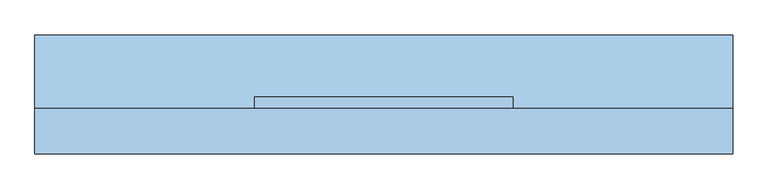
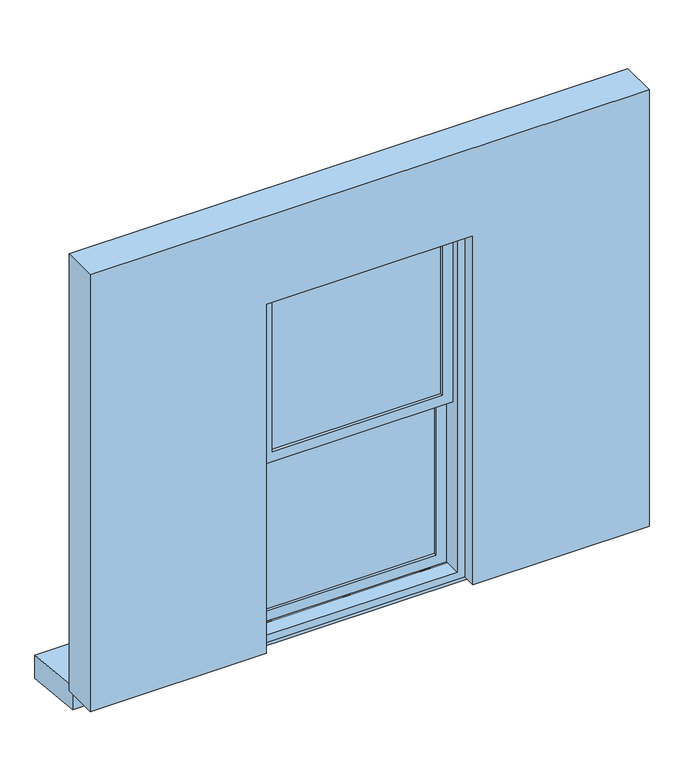
"""IFC4 building model written with IfcOpenShell, lengths in millimetres: window geometry."""

from ifc_helpers import new_model, si_unit, frame, origin, place, context, project, spatial, polyline, outline, extrude, source, transform, mapped, element, save


def window_91b5a7c0(model_context):
    return source(origin(), model_context, "Body", "SweptSolid", [
        extrude(outline(polyline([(-355.6, 20.6375), (-355.6, 26.9875), (355.6, 26.9875), (355.6, 20.6375), (-355.6, 20.6375)])), frame((0.0, 0.0, 990.6), z_axis=(0.0, 0.0, 1.0), x_axis=(1.0, 0.0, 0.0)), (0.0, 0.0, 1.0), 688.975),
        extrude(outline(polyline([(355.6, 33.3375), (-355.6, 33.3375), (-355.6, 39.6875), (355.6, 39.6875), (355.6, 33.3375)])), frame((0.0, 0.0, 990.6), z_axis=(0.0, 0.0, 1.0), x_axis=(1.0, 0.0, 0.0)), (0.0, 0.0, 1.0), 688.975),
        extrude(outline(polyline([(-355.6, -23.8125), (-355.6, -17.4625), (355.6, -17.4625), (355.6, -23.8125), (-355.6, -23.8125)])), frame((0.0, 0.0, 1724.025), z_axis=(0.0, 0.0, 1.0), x_axis=(1.0, 0.0, 0.0)), (0.0, 0.0, 1.0), 688.975),
        extrude(outline(polyline([(355.6, -11.1125), (-355.6, -11.1125), (-355.6, -4.7625), (355.6, -4.7625), (355.6, -11.1125)])), frame((0.0, 0.0, 1724.025), z_axis=(0.0, 0.0, 1.0), x_axis=(1.0, 0.0, 0.0)), (0.0, 0.0, 1.0), 688.975),
        extrude(outline(polyline([(1724.025, -400.05), (946.15, -400.05), (946.15, 400.05), (1724.025, 400.05), (1724.025, -400.05)]), holes=[polyline([(1679.575, 355.6), (990.6, 355.6), (990.6, -355.6), (1679.575, -355.6), (1679.575, 355.6)])]), frame((0.0, 7.9375, 0.0), z_axis=(0.0, 1.0, 0.0), x_axis=(0.0, 0.0, 1.0)), (0.0, 0.0, 1.0), 44.45),
        extrude(outline(polyline([(2457.45, -400.05), (1679.575, -400.05), (1679.575, 400.05), (2457.45, 400.05), (2457.45, -400.05)]), holes=[polyline([(2413.0, 355.6), (1724.025, 355.6), (1724.025, -355.6), (2413.0, -355.6), (2413.0, 355.6)])]), frame((0.0, -36.5125, 0.0), z_axis=(0.0, 1.0, 0.0), x_axis=(0.0, 0.0, 1.0)), (0.0, 0.0, 1.0), 44.45),
        extrude(outline(polyline([(2489.2, -431.8), (914.4, -431.8), (914.4, 431.8), (2489.2, 431.8), (2489.2, -431.8)]), holes=[polyline([(2457.45, 400.05), (946.15, 400.05), (946.15, -400.05), (2457.45, -400.05), (2457.45, 400.05)])]), frame((0.0, -68.2625, 0.0), z_axis=(0.0, 1.0, 0.0), x_axis=(0.0, 0.0, 1.0)), (0.0, 0.0, 1.0), 133.35),
        extrude(outline(polyline([(914.4, 1168.4), (2844.8, 1168.4), (2844.8, -1168.4), (914.4, -1168.4), (914.4, -431.8), (2457.45, -431.8), (2457.45, 431.8), (914.4, 431.8), (914.4, 1168.4)])), frame((0.0, -127.0, 0.0), z_axis=(0.0, 1.0, 0.0), x_axis=(0.0, 0.0, 1.0)), (0.0, 0.0, 1.0), 152.4),
        extrude(outline(polyline([(0.0, 844.55), (0.0, 946.15), (273.05, 920.75), (273.05, 819.15), (0.0, 844.55)])), frame((-1168.4, 0.0, 0.0), z_axis=(1.0, 0.0, 0.0), x_axis=(0.0, 1.0, 0.0)), (0.0, 0.0, 1.0), 2336.8),
    ])


if __name__ == "__main__":
    model = new_model("IFC4")
    model_context = context("Model", 3, world=origin())
    ifc_project = project(units=[si_unit("LENGTHUNIT", "METRE", prefix="MILLI")], contexts=[model_context])
    site = spatial("IfcSite", under=ifc_project)
    building = spatial("IfcBuilding", under=site)
    placement = place(None, origin())
    window_shape = window_91b5a7c0(model_context)
    element("IfcWindow", 1, at=placement, inside=building, context=model_context, shape_type="MappedRepresentation", body=[
        mapped(window_shape, transform((0.0, 0.0, 0.0), x_axis=(1.0, 0.0, 0.0), y_axis=(0.0, 1.0, 0.0), z_axis=(0.0, 0.0, 1.0))),
    ])
    save(model, "model.ifc")
